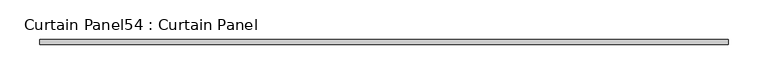
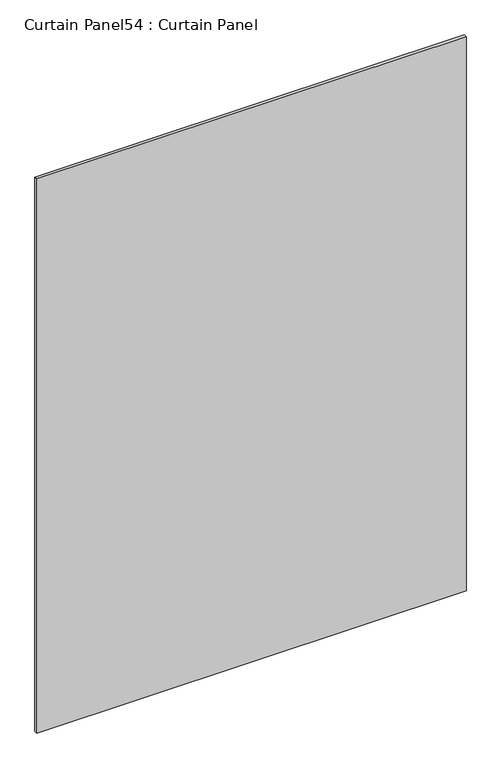
"""IFC4 building model written with IfcOpenShell, lengths in millimetres: plate geometry, Curtain Panel54 : Curtain Panel."""

import ifcopenshell
import ifcopenshell.guid

model = None  # the IFC model being written
_history = None  # IfcOwnerHistory: only IFC2X3 demands one
_inside = {}  # id of a spatial element -> (the spatial element, [elements in it])
_under = {}  # id of a project, library or spatial element -> (it, [spatial elements below it])
_declared = {}  # id of a project -> (the project, [libraries it declares])
_typed = {}  # id of a type object -> (the type object, [elements of that type])
_made_of = {}  # id of a material, layer set ... -> (it, [elements and type objects made of it])


def new_model(schema):
    """Start an empty IFC model of exactly this schema.

    Asked for "IFC4X3", IfcOpenShell would pick the latest addendum, in which some entities
    have other attributes; the version numbers below select the first issue.
    IFC2X3 requires an IfcOwnerHistory on every rooted entity: one is made here for all.
    """
    global model, _history
    if schema == "IFC4X3":
        model = ifcopenshell.file(schema_version=(4, 3, 0, 0))
    else:
        model = ifcopenshell.file(schema=schema)
    _inside.clear()
    _under.clear()
    _declared.clear()
    _typed.clear()
    _made_of.clear()
    _history = None
    if model.schema == "IFC2X3":
        org = make("IfcOrganization", Name="unknown")
        user = make(
            "IfcPersonAndOrganization",
            ThePerson=make("IfcPerson", FamilyName="unknown"),
            TheOrganization=org,
        )
        app = make(
            "IfcApplication",
            ApplicationDeveloper=org,
            Version="unknown",
            ApplicationFullName="unknown",
            ApplicationIdentifier="unknown",
        )
        _history = make(
            "IfcOwnerHistory",
            OwningUser=user,
            OwningApplication=app,
            ChangeAction="ADDED",
            CreationDate=0,
        )
    return model


def make(cls, **values):
    """One entity of the class cls with the attributes given. An attribute that is None is left unset."""
    return model.create_entity(
        cls, **{name: value for name, value in values.items() if value is not None}
    )


def rooted(cls, **values):
    """An entity with a GlobalId (a new one), such as an element, a storey or a relation."""
    return make(cls, GlobalId=ifcopenshell.guid.new(), OwnerHistory=_history, **values)


def si_unit(unit_type, name, prefix=None):
    """IfcSIUnit, for example si_unit("LENGTHUNIT", "METRE", prefix="MILLI")."""
    return make("IfcSIUnit", UnitType=unit_type, Prefix=prefix, Name=name)


def assignment(units):
    """IfcUnitAssignment: the units of a project."""
    return None if units is None else make("IfcUnitAssignment", Units=units)


def point(xyz):
    """IfcCartesianPoint."""
    return None if xyz is None else make("IfcCartesianPoint", Coordinates=xyz)


def direction(xyz):
    """IfcDirection."""
    return None if xyz is None else make("IfcDirection", DirectionRatios=xyz)


def frame(location, z_axis=None, x_axis=None):
    """IfcAxis2Placement3D, a coordinate frame: its origin and axes. An axis left out is left unset."""
    return make(
        "IfcAxis2Placement3D",
        Location=point(location),
        Axis=direction(z_axis),
        RefDirection=direction(x_axis),
    )


def origin():
    """The frame at (0, 0, 0) with its axes left unset."""
    return frame((0.0, 0.0, 0.0))


def place(relative_to, where):
    """IfcLocalPlacement: puts the frame where relative to a parent placement (None: the world)."""
    return make(
        "IfcLocalPlacement", PlacementRelTo=relative_to, RelativePlacement=where
    )


def context(
    kind, dimensions, precision=None, world=None, true_north=None, identifier=None
):
    """IfcGeometricRepresentationContext, for example the 3D "Model" context."""
    return make(
        "IfcGeometricRepresentationContext",
        ContextIdentifier=identifier,
        ContextType=kind,
        CoordinateSpaceDimension=dimensions,
        Precision=precision,
        WorldCoordinateSystem=world,
        TrueNorth=true_north,
    )


def project(units=None, contexts=None):
    """IfcProject with its units and contexts."""
    return rooted(
        "IfcProject",
        Name="project",
        RepresentationContexts=contexts,
        UnitsInContext=assignment(units),
    )


def spatial(cls, under=None, at=None, **own):
    """A site, building, storey or space (cls), placed at a placement, below another one or the project."""
    s = rooted(cls, ObjectPlacement=at, **own)
    if under is not None:
        _under.setdefault(under.id(), (under, []))[1].append(s)
    return s


def polyline(points):
    """IfcPolyline through the points."""
    return make("IfcPolyline", Points=[point(p) for p in points])


def outline(outer, holes=None, kind="AREA"):
    """IfcArbitraryClosedProfileDef: a profile drawn as a closed curve; with holes, ...WithVoids."""
    if holes is None:
        return make("IfcArbitraryClosedProfileDef", ProfileType=kind, OuterCurve=outer)
    return make(
        "IfcArbitraryProfileDefWithVoids",
        ProfileType=kind,
        OuterCurve=outer,
        InnerCurves=holes,
    )


def extrude(swept, where, along, depth):
    """IfcExtrudedAreaSolid: the profile swept, set in the frame where, extruded along a direction by depth."""
    return make(
        "IfcExtrudedAreaSolid",
        SweptArea=swept,
        Position=where,
        ExtrudedDirection=direction(along),
        Depth=depth,
    )


def shape(context_of_items, identifier, shape_type, items):
    """IfcShapeRepresentation: the items that make up one representation, for example the "Body"."""
    return make(
        "IfcShapeRepresentation",
        ContextOfItems=context_of_items,
        RepresentationIdentifier=identifier,
        RepresentationType=shape_type,
        Items=items,
    )


def source(mapping_origin, context_of_items, identifier, shape_type, items):
    """IfcRepresentationMap: a shape defined once, which mapped items show again and again."""
    return make(
        "IfcRepresentationMap",
        MappingOrigin=mapping_origin,
        MappedRepresentation=shape(context_of_items, identifier, shape_type, items),
    )


def transform(
    local_origin,
    x_axis=None,
    y_axis=None,
    z_axis=None,
    scale=None,
    scale2=None,
    scale3=None,
    uniform=True,
):
    """IfcCartesianTransformationOperator3D, or its non-uniform kind. x_axis, y_axis, z_axis: its Axis1, 2, 3."""
    if uniform:
        return make(
            "IfcCartesianTransformationOperator3D",
            Axis1=direction(x_axis),
            Axis2=direction(y_axis),
            LocalOrigin=point(local_origin),
            Scale=scale,
            Axis3=direction(z_axis),
        )
    return make(
        "IfcCartesianTransformationOperator3DnonUniform",
        Axis1=direction(x_axis),
        Axis2=direction(y_axis),
        LocalOrigin=point(local_origin),
        Scale=scale,
        Axis3=direction(z_axis),
        Scale2=scale2,
        Scale3=scale3,
    )


def mapped(mapping_source, mapping_target):
    """IfcMappedItem: shows the shape of a source again, moved by a transform."""
    return make(
        "IfcMappedItem", MappingSource=mapping_source, MappingTarget=mapping_target
    )


def made_of(thing, what):
    """Note that an element or type object is made of a material, layer set ...; save() writes the relation."""
    if what is not None:
        _made_of.setdefault(what.id(), (what, []))[1].append(thing)
    return thing


def element(
    cls,
    number,
    at=None,
    inside=None,
    cuts=None,
    type_object=None,
    material=None,
    context=None,
    identifier="Body",
    shape_type=None,
    held_by="IfcProductDefinitionShape",
    body=None,
    shapes=None,
    **own,
):
    """One element of the class cls, such as IfcWall. Its Tag is "e" and its number.

    at: its placement. inside: the storey or other place that contains it. cuts: it is an
    opening in that element (IfcRelVoidsElement). A single representation is given by context,
    identifier, shape_type and body (its items); several are given by shapes. held_by: the class
    of the entity that holds the representations. save() writes the other relations.
    """
    e = rooted(cls, Tag="e%d" % number, ObjectPlacement=at, **own)
    if body is not None:
        shapes = [shape(context, identifier, shape_type, body)]
    if shapes is not None:
        e.Representation = make(held_by, Representations=shapes)
    if inside is not None:
        _inside.setdefault(inside.id(), (inside, []))[1].append(e)
    if cuts is not None:
        rooted(
            "IfcRelVoidsElement", RelatingBuildingElement=cuts, RelatedOpeningElement=e
        )
    if type_object is not None:
        _typed.setdefault(type_object.id(), (type_object, []))[1].append(e)
    return made_of(e, material)


def aggregate(whole, parts):
    """IfcRelAggregates: a whole, such as a stair, and the parts it consists of."""
    return rooted("IfcRelAggregates", RelatingObject=whole, RelatedObjects=parts)


def save(model, path):
    """Write the relations noted so far, then the file.

    IfcRelAggregates (storeys below a building ...), IfcRelContainedInSpatialStructure (elements
    in a storey), IfcRelDefinesByType, IfcRelAssociatesMaterial and IfcRelDeclares: one each for
    every whole, place, type object, material and project.
    """
    for whole, parts in _under.values():
        aggregate(whole, parts)
    for where, things in _inside.values():
        rooted(
            "IfcRelContainedInSpatialStructure",
            RelatedElements=things,
            RelatingStructure=where,
        )
    for kind, things in _typed.values():
        rooted("IfcRelDefinesByType", RelatedObjects=things, RelatingType=kind)
    for what, things in _made_of.values():
        rooted("IfcRelAssociatesMaterial", RelatedObjects=things, RelatingMaterial=what)
    for by, libraries in _declared.values():
        rooted("IfcRelDeclares", RelatingContext=by, RelatedDefinitions=libraries)
    model.write(path)


def curtain_panel54_curtain_panel_7eeac6ff(model_context):
    return source(origin(), model_context, "Body", "SweptSolid", [
        extrude(outline(polyline([(-38326.3195162, 3064.8136018), (-39196.2268884, 3064.8136018), (-39196.2268884, 3071.1636018), (-38326.3195162, 3071.1636018), (-38326.3195162, 3064.8136018)])), frame((0.0, 0.0, 1235.075), z_axis=(0.0, 0.0, 1.0), x_axis=(1.0, 0.0, 0.0)), (0.0, 0.0, 1.0), 1187.2595),
    ])


if __name__ == "__main__":
    model = new_model("IFC4")
    model_context = context("Model", 3, world=origin())
    ifc_project = project(units=[si_unit("LENGTHUNIT", "METRE", prefix="MILLI")], contexts=[model_context])
    site = spatial("IfcSite", under=ifc_project)
    building = spatial("IfcBuilding", under=site)
    placement = place(None, origin())
    curtain_panel54_curtain_panel_shape = curtain_panel54_curtain_panel_7eeac6ff(model_context)
    element("IfcPlate", 1, ObjectType="Curtain Panel54 : Curtain Panel", at=placement, inside=building, context=model_context, shape_type="MappedRepresentation", body=[
        mapped(curtain_panel54_curtain_panel_shape, transform((0.0, 0.0, 0.0), x_axis=(1.0, 0.0, 0.0), y_axis=(0.0, 1.0, 0.0), z_axis=(0.0, 0.0, 1.0))),
    ])
    save(model, "model.ifc")
